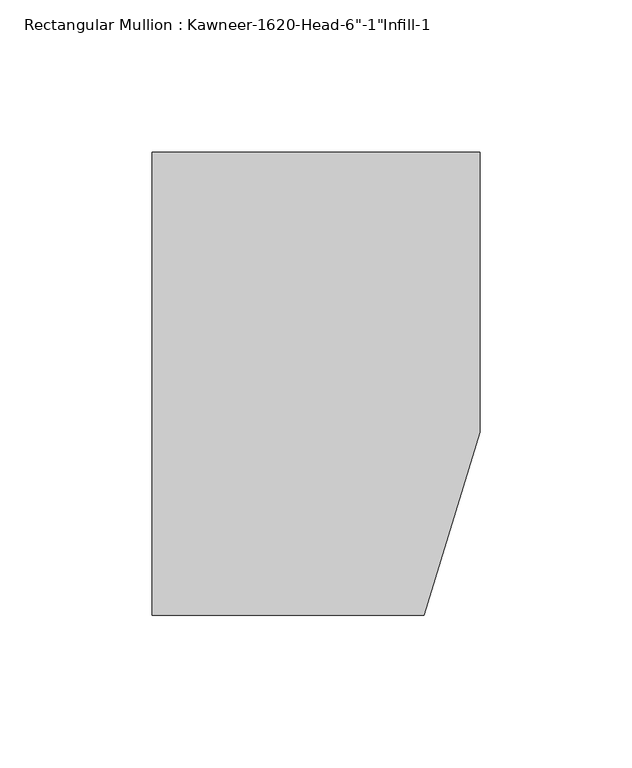
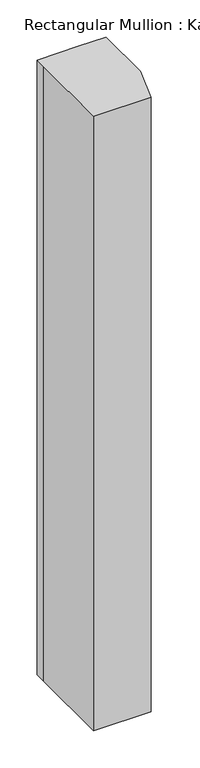
"""IFC4 building model written with IfcOpenShell, lengths in millimetres: member geometry."""

import ifcopenshell
import ifcopenshell.guid

model = None  # the IFC model being written
_history = None  # IfcOwnerHistory: only IFC2X3 demands one
_inside = {}  # id of a spatial element -> (the spatial element, [elements in it])
_under = {}  # id of a project, library or spatial element -> (it, [spatial elements below it])
_declared = {}  # id of a project -> (the project, [libraries it declares])
_typed = {}  # id of a type object -> (the type object, [elements of that type])
_made_of = {}  # id of a material, layer set ... -> (it, [elements and type objects made of it])


def new_model(schema):
    """Start an empty IFC model of exactly this schema.

    Asked for "IFC4X3", IfcOpenShell would pick the latest addendum, in which some entities
    have other attributes; the version numbers below select the first issue.
    IFC2X3 requires an IfcOwnerHistory on every rooted entity: one is made here for all.
    """
    global model, _history
    if schema == "IFC4X3":
        model = ifcopenshell.file(schema_version=(4, 3, 0, 0))
    else:
        model = ifcopenshell.file(schema=schema)
    _inside.clear()
    _under.clear()
    _declared.clear()
    _typed.clear()
    _made_of.clear()
    _history = None
    if model.schema == "IFC2X3":
        org = make("IfcOrganization", Name="unknown")
        user = make(
            "IfcPersonAndOrganization",
            ThePerson=make("IfcPerson", FamilyName="unknown"),
            TheOrganization=org,
        )
        app = make(
            "IfcApplication",
            ApplicationDeveloper=org,
            Version="unknown",
            ApplicationFullName="unknown",
            ApplicationIdentifier="unknown",
        )
        _history = make(
            "IfcOwnerHistory",
            OwningUser=user,
            OwningApplication=app,
            ChangeAction="ADDED",
            CreationDate=0,
        )
    return model


def make(cls, **values):
    """One entity of the class cls with the attributes given. An attribute that is None is left unset."""
    return model.create_entity(
        cls, **{name: value for name, value in values.items() if value is not None}
    )


def rooted(cls, **values):
    """An entity with a GlobalId (a new one), such as an element, a storey or a relation."""
    return make(cls, GlobalId=ifcopenshell.guid.new(), OwnerHistory=_history, **values)


def si_unit(unit_type, name, prefix=None):
    """IfcSIUnit, for example si_unit("LENGTHUNIT", "METRE", prefix="MILLI")."""
    return make("IfcSIUnit", UnitType=unit_type, Prefix=prefix, Name=name)


def assignment(units):
    """IfcUnitAssignment: the units of a project."""
    return None if units is None else make("IfcUnitAssignment", Units=units)


def point(xyz):
    """IfcCartesianPoint."""
    return None if xyz is None else make("IfcCartesianPoint", Coordinates=xyz)


def direction(xyz):
    """IfcDirection."""
    return None if xyz is None else make("IfcDirection", DirectionRatios=xyz)


def frame(location, z_axis=None, x_axis=None):
    """IfcAxis2Placement3D, a coordinate frame: its origin and axes. An axis left out is left unset."""
    return make(
        "IfcAxis2Placement3D",
        Location=point(location),
        Axis=direction(z_axis),
        RefDirection=direction(x_axis),
    )


def origin():
    """The frame at (0, 0, 0) with its axes left unset."""
    return frame((0.0, 0.0, 0.0))


def place(relative_to, where):
    """IfcLocalPlacement: puts the frame where relative to a parent placement (None: the world)."""
    return make(
        "IfcLocalPlacement", PlacementRelTo=relative_to, RelativePlacement=where
    )


def context(
    kind, dimensions, precision=None, world=None, true_north=None, identifier=None
):
    """IfcGeometricRepresentationContext, for example the 3D "Model" context."""
    return make(
        "IfcGeometricRepresentationContext",
        ContextIdentifier=identifier,
        ContextType=kind,
        CoordinateSpaceDimension=dimensions,
        Precision=precision,
        WorldCoordinateSystem=world,
        TrueNorth=true_north,
    )


def project(units=None, contexts=None):
    """IfcProject with its units and contexts."""
    return rooted(
        "IfcProject",
        Name="project",
        RepresentationContexts=contexts,
        UnitsInContext=assignment(units),
    )


def spatial(cls, under=None, at=None, **own):
    """A site, building, storey or space (cls), placed at a placement, below another one or the project."""
    s = rooted(cls, ObjectPlacement=at, **own)
    if under is not None:
        _under.setdefault(under.id(), (under, []))[1].append(s)
    return s


def polyline(points):
    """IfcPolyline through the points."""
    return make("IfcPolyline", Points=[point(p) for p in points])


def outline(outer, holes=None, kind="AREA"):
    """IfcArbitraryClosedProfileDef: a profile drawn as a closed curve; with holes, ...WithVoids."""
    if holes is None:
        return make("IfcArbitraryClosedProfileDef", ProfileType=kind, OuterCurve=outer)
    return make(
        "IfcArbitraryProfileDefWithVoids",
        ProfileType=kind,
        OuterCurve=outer,
        InnerCurves=holes,
    )


def extrude(swept, where, along, depth):
    """IfcExtrudedAreaSolid: the profile swept, set in the frame where, extruded along a direction by depth."""
    return make(
        "IfcExtrudedAreaSolid",
        SweptArea=swept,
        Position=where,
        ExtrudedDirection=direction(along),
        Depth=depth,
    )


def shape(context_of_items, identifier, shape_type, items):
    """IfcShapeRepresentation: the items that make up one representation, for example the "Body"."""
    return make(
        "IfcShapeRepresentation",
        ContextOfItems=context_of_items,
        RepresentationIdentifier=identifier,
        RepresentationType=shape_type,
        Items=items,
    )


def source(mapping_origin, context_of_items, identifier, shape_type, items):
    """IfcRepresentationMap: a shape defined once, which mapped items show again and again."""
    return make(
        "IfcRepresentationMap",
        MappingOrigin=mapping_origin,
        MappedRepresentation=shape(context_of_items, identifier, shape_type, items),
    )


def transform(
    local_origin,
    x_axis=None,
    y_axis=None,
    z_axis=None,
    scale=None,
    scale2=None,
    scale3=None,
    uniform=True,
):
    """IfcCartesianTransformationOperator3D, or its non-uniform kind. x_axis, y_axis, z_axis: its Axis1, 2, 3."""
    if uniform:
        return make(
            "IfcCartesianTransformationOperator3D",
            Axis1=direction(x_axis),
            Axis2=direction(y_axis),
            LocalOrigin=point(local_origin),
            Scale=scale,
            Axis3=direction(z_axis),
        )
    return make(
        "IfcCartesianTransformationOperator3DnonUniform",
        Axis1=direction(x_axis),
        Axis2=direction(y_axis),
        LocalOrigin=point(local_origin),
        Scale=scale,
        Axis3=direction(z_axis),
        Scale2=scale2,
        Scale3=scale3,
    )


def mapped(mapping_source, mapping_target):
    """IfcMappedItem: shows the shape of a source again, moved by a transform."""
    return make(
        "IfcMappedItem", MappingSource=mapping_source, MappingTarget=mapping_target
    )


def made_of(thing, what):
    """Note that an element or type object is made of a material, layer set ...; save() writes the relation."""
    if what is not None:
        _made_of.setdefault(what.id(), (what, []))[1].append(thing)
    return thing


def element(
    cls,
    number,
    at=None,
    inside=None,
    cuts=None,
    type_object=None,
    material=None,
    context=None,
    identifier="Body",
    shape_type=None,
    held_by="IfcProductDefinitionShape",
    body=None,
    shapes=None,
    **own,
):
    """One element of the class cls, such as IfcWall. Its Tag is "e" and its number.

    at: its placement. inside: the storey or other place that contains it. cuts: it is an
    opening in that element (IfcRelVoidsElement). A single representation is given by context,
    identifier, shape_type and body (its items); several are given by shapes. held_by: the class
    of the entity that holds the representations. save() writes the other relations.
    """
    e = rooted(cls, Tag="e%d" % number, ObjectPlacement=at, **own)
    if body is not None:
        shapes = [shape(context, identifier, shape_type, body)]
    if shapes is not None:
        e.Representation = make(held_by, Representations=shapes)
    if inside is not None:
        _inside.setdefault(inside.id(), (inside, []))[1].append(e)
    if cuts is not None:
        rooted(
            "IfcRelVoidsElement", RelatingBuildingElement=cuts, RelatedOpeningElement=e
        )
    if type_object is not None:
        _typed.setdefault(type_object.id(), (type_object, []))[1].append(e)
    return made_of(e, material)


def aggregate(whole, parts):
    """IfcRelAggregates: a whole, such as a stair, and the parts it consists of."""
    return rooted("IfcRelAggregates", RelatingObject=whole, RelatedObjects=parts)


def save(model, path):
    """Write the relations noted so far, then the file.

    IfcRelAggregates (storeys below a building ...), IfcRelContainedInSpatialStructure (elements
    in a storey), IfcRelDefinesByType, IfcRelAssociatesMaterial and IfcRelDeclares: one each for
    every whole, place, type object, material and project.
    """
    for whole, parts in _under.values():
        aggregate(whole, parts)
    for where, things in _inside.values():
        rooted(
            "IfcRelContainedInSpatialStructure",
            RelatedElements=things,
            RelatingStructure=where,
        )
    for kind, things in _typed.values():
        rooted("IfcRelDefinesByType", RelatedObjects=things, RelatingType=kind)
    for what, things in _made_of.values():
        rooted("IfcRelAssociatesMaterial", RelatedObjects=things, RelatingMaterial=what)
    for by, libraries in _declared.values():
        rooted("IfcRelDeclares", RelatingContext=by, RelatedDefinitions=libraries)
    model.write(path)


def member_2fe64671(model_context):
    return source(origin(), model_context, "Body", "SweptSolid", [
        extrude(outline(polyline([(-107.95, 19.9095466), (-107.95, 38.1), (-44.1519366, 38.1), (0.0, 38.1), (0.0, -53.975), (-18.3538271, -114.3), (-107.95, -114.3), (-107.95, 19.9095466)])), frame((0.0, 0.0, -1011.3830398), z_axis=(0.0, 0.0, 1.0), x_axis=(1.0, 0.0, 0.0)), (0.0, 0.0, 1.0), 1011.3830398),
    ])


if __name__ == "__main__":
    model = new_model("IFC4")
    model_context = context("Model", 3, world=origin())
    ifc_project = project(units=[si_unit("LENGTHUNIT", "METRE", prefix="MILLI")], contexts=[model_context])
    site = spatial("IfcSite", under=ifc_project)
    building = spatial("IfcBuilding", under=site)
    placement = place(None, origin())
    member_shape = member_2fe64671(model_context)
    element("IfcMember", 1, ObjectType="Rectangular Mullion : Kawneer-1620-Head-6\"-1\"Infill-1", at=placement, inside=building, context=model_context, shape_type="MappedRepresentation", body=[
        mapped(member_shape, transform((0.0, 0.0, 0.0), x_axis=(1.0, 0.0, 0.0), y_axis=(0.0, 1.0, 0.0), z_axis=(0.0, 0.0, 1.0))),
    ])
    save(model, "model.ifc")
